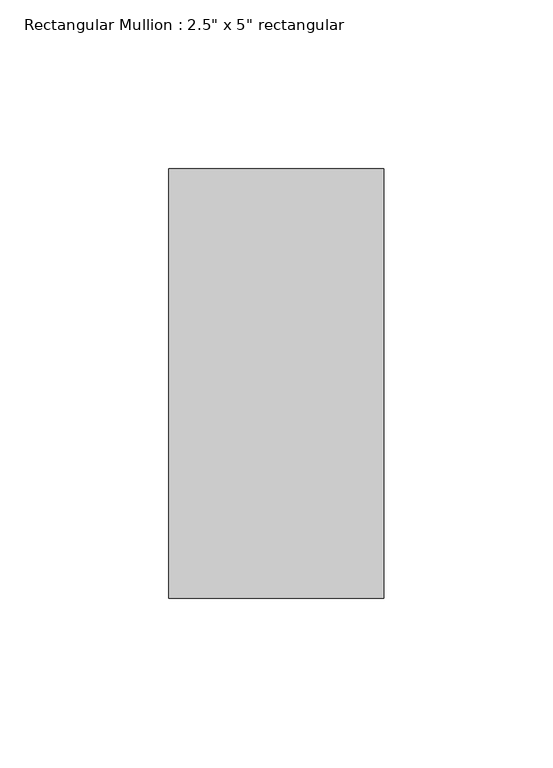
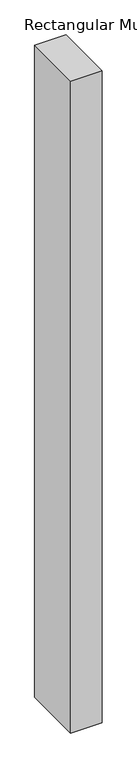
"""IFC4 building model written with IfcOpenShell, lengths in millimetres: member geometry."""

from ifc_helpers import new_model, si_unit, frame, origin, place, context, project, spatial, polyline, outline, extrude, source, transform, mapped, element, save


def member_ea782321(model_context):
    return source(origin(), model_context, "Body", "SweptSolid", [
        extrude(outline(polyline([(0.0, 63.5), (0.0, -63.5), (-63.5, -63.5), (-63.5, 63.5), (0.0, 63.5)])), frame((0.0, 0.0, -1403.35), z_axis=(0.0, 0.0, 1.0), x_axis=(1.0, 0.0, 0.0)), (0.0, 0.0, 1.0), 1403.35),
    ])


if __name__ == "__main__":
    model = new_model("IFC4")
    model_context = context("Model", 3, world=origin())
    ifc_project = project(units=[si_unit("LENGTHUNIT", "METRE", prefix="MILLI")], contexts=[model_context])
    site = spatial("IfcSite", under=ifc_project)
    building = spatial("IfcBuilding", under=site)
    placement = place(None, origin())
    member_shape = member_ea782321(model_context)
    element("IfcMember", 1, ObjectType="Rectangular Mullion : 2.5\" x 5\" rectangular", at=placement, inside=building, context=model_context, shape_type="MappedRepresentation", body=[
        mapped(member_shape, transform((0.0, 0.0, 0.0), x_axis=(1.0, 0.0, 0.0), y_axis=(0.0, 1.0, 0.0), z_axis=(0.0, 0.0, 1.0))),
    ])
    save(model, "model.ifc")
